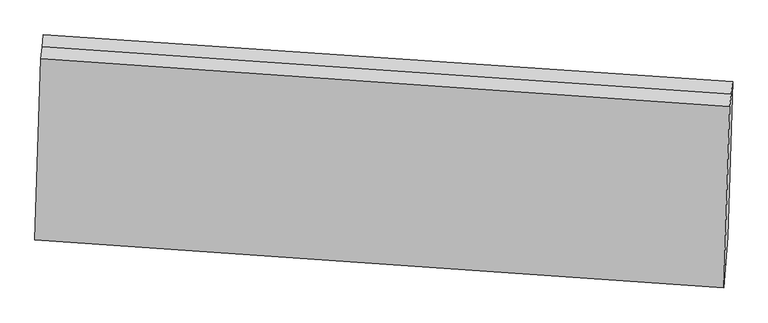
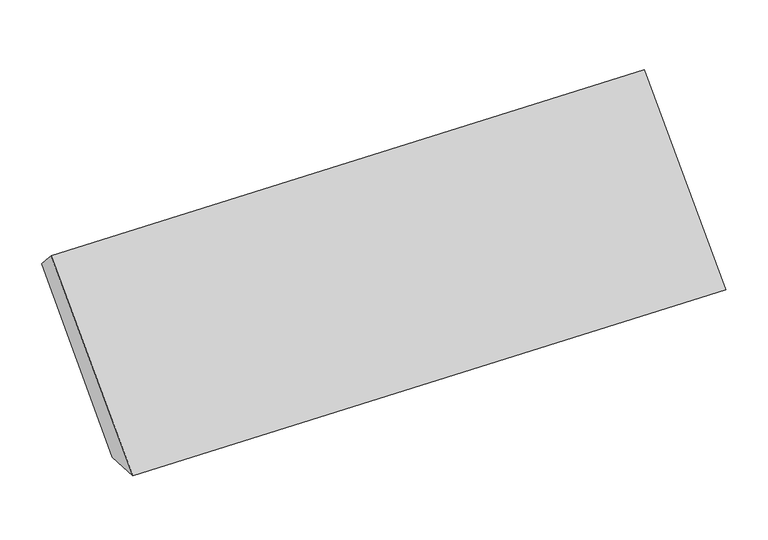
"""IFC4 building model written with IfcOpenShell, lengths in millimetres: proxy geometry."""

from ifc_helpers import new_model, si_unit, frame, origin, place, context, project, spatial, source, transform, mapped, element, save
from ifc_brep_helpers import plane_surface, spline_surface, advanced_brep


def generic_models_01b3d141(model_context):
    return source(origin(), model_context, "Body", "AdvancedBrep", [
        advanced_brep(
        [(-5119.0768858, -1789.5925071, 1426.8343117), (-5106.536633, -1625.4803038, 1400.0781089), (-617.3554018, -1933.0100829, 1562.0520239), (-630.0790402, -2098.7381285, 1590.5435865), (-5131.6171386, -1953.7047105, 1453.5905146), (-642.8026785, -2264.466174, 1619.0351491), (-5094.1033864, -771.7229574, 2558.1312075), (-605.3225198, -1083.5428832, 2722.5867281), (-5085.3008796, -694.162532, 2474.833939), (-596.0615491, -1001.9428523, 2634.9510602), (-5076.4983728, -616.6021065, 2391.5366704), (-586.8005784, -920.3428213, 2547.3153922)],
        [
            (0, 1),
            (1, 2),
            (2, 3),
            (3, 0),
            (4, 0),
            (3, 5),
            (5, 4),
            (6, 4),
            (5, 7),
            (7, 6),
            (8, 6),
            (7, 9),
            (9, 8),
            (10, 8),
            (9, 11),
            (11, 10),
            (1, 10),
            (11, 2),
        ],
        [
            spline_surface(1, 1, [[(-5119.0768858, -1789.5925071, 1426.8343117), (-630.0790402, -2098.7381285, 1590.5435865)], [(-5106.536633, -1625.4803038, 1400.0781089), (-617.3554018, -1933.0100829, 1562.0520239)]], [2, 2], [2, 2], [0.0, 1.0], [0.0, 1.0]),
            spline_surface(1, 1, [[(-5131.6171386, -1953.7047105, 1453.5905146), (-642.8026785, -2264.466174, 1619.0351491)], [(-5119.0768858, -1789.5925071, 1426.8343117), (-630.0790402, -2098.7381285, 1590.5435865)]], [2, 2], [2, 2], [0.0, 1.0], [0.0, 1.0]),
            plane_surface(frame((-5112.8602625, -1362.7138339, 2005.860861), z_axis=(-0.07395034462846338, -0.6796432719408395, 0.7298057066335406), x_axis=(-0.023182718335059044, -0.7304401297518949, -0.6825831659355747))),
            plane_surface(frame((-5089.702133, -732.9427447, 2516.4825732), z_axis=(0.025717168042662896, 0.7302609186636783, 0.6826841274999341), x_axis=(-0.0771096125168243, -0.6794262690076279, 0.7296807881806123))),
            plane_surface(frame((-5080.8996262, -655.3823192, 2433.1853047), z_axis=(0.025717168042662924, 0.7302609186636783, 0.6826841274999342), x_axis=(-0.07710961251682487, -0.6794262690076279, 0.7296807881806123))),
            spline_surface(1, 1, [[(-5106.536633, -1625.4803038, 1400.0781089), (-617.3554018, -1933.0100829, 1562.0520239)], [(-5076.4983728, -616.6021065, 2391.5366704), (-586.8005784, -920.3428213, 2547.3153922)]], [2, 2], [2, 2], [0.0, 1.0], [0.0, 1.0]),
            plane_surface(frame((-613.0702946, -1550.3404904, 2112.7473234), z_axis=(0.9967530633151336, -0.06954970762269455, 0.04057300754806378), x_axis=(-0.07710961251682458, -0.6794262690076279, 0.7296807881806123))),
            plane_surface(frame((-5102.1888827, -1241.8775196, 1950.8341253), z_axis=(-0.9967530633151308, 0.06954970762271936, -0.04057300754808914), x_axis=(-0.07520336692025767, -0.9841739600032935, 0.16045581963672406))),
        ],
        [
            (0, [[1, 2, 3, 4]]),
            (1, [[5, -4, 6, 7]]),
            (2, [[8, -7, 9, 10]]),
            (3, [[11, -10, 12, 13]]),
            (4, [[14, -13, 15, 16]]),
            (5, [[17, -16, 18, -2]]),
            (6, [[-12, -9, -6, -3, -18, -15]]),
            (7, [[-1, -5, -8, -11, -14, -17]]),
        ],
    ),
    ])


if __name__ == "__main__":
    model = new_model("IFC4")
    model_context = context("Model", 3, world=origin())
    ifc_project = project(units=[si_unit("LENGTHUNIT", "METRE", prefix="MILLI")], contexts=[model_context])
    site = spatial("IfcSite", under=ifc_project)
    building = spatial("IfcBuilding", under=site)
    placement = place(None, origin())
    generic_models_shape = generic_models_01b3d141(model_context)
    element("IfcBuildingElementProxy", 1, Name="Generic Models", at=placement, inside=building, context=model_context, shape_type="MappedRepresentation", body=[
        mapped(generic_models_shape, transform((0.0, 0.0, 0.0), x_axis=(1.0, 0.0, 0.0), y_axis=(0.0, 1.0, 0.0), z_axis=(0.0, 0.0, 1.0))),
    ])
    save(model, "model.ifc")
